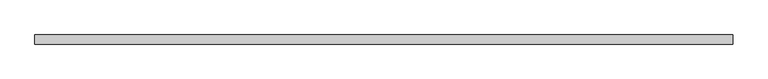
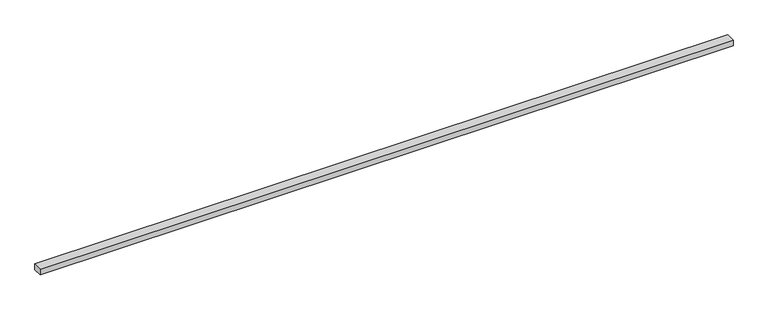
"""IFC4 building model written with IfcOpenShell, lengths in millimetres: beam geometry."""

from ifc_helpers import new_model, si_unit, frame, origin, place, context, project, spatial, polyline, outline, extrude, source, transform, mapped, element, save


def beam_f55b4766(model_context):
    return source(origin(), model_context, "Body", "SweptSolid", [
        extrude(outline(polyline([(1150.0, 15.0), (1150.0, -15.0), (-1150.0, -15.0), (-1150.0, 15.0), (1150.0, 15.0)])), frame((0.0, 0.0, -10.0), z_axis=(0.0, 0.0, 1.0), x_axis=(1.0, 0.0, 0.0)), (0.0, 0.0, 1.0), 20.0),
    ])


if __name__ == "__main__":
    model = new_model("IFC4")
    model_context = context("Model", 3, world=origin())
    ifc_project = project(units=[si_unit("LENGTHUNIT", "METRE", prefix="MILLI")], contexts=[model_context])
    site = spatial("IfcSite", under=ifc_project)
    building = spatial("IfcBuilding", under=site)
    placement = place(None, origin())
    beam_shape = beam_f55b4766(model_context)
    element("IfcBeam", 1, at=placement, inside=building, context=model_context, shape_type="MappedRepresentation", body=[
        mapped(beam_shape, transform((0.0, 0.0, 0.0), x_axis=(1.0, 0.0, 0.0), y_axis=(0.0, 1.0, 0.0), z_axis=(0.0, 0.0, 1.0))),
    ])
    save(model, "model.ifc")
